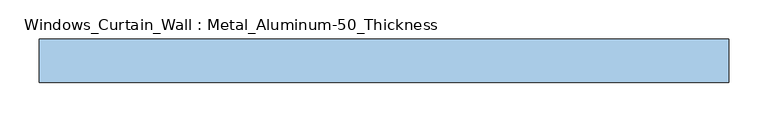
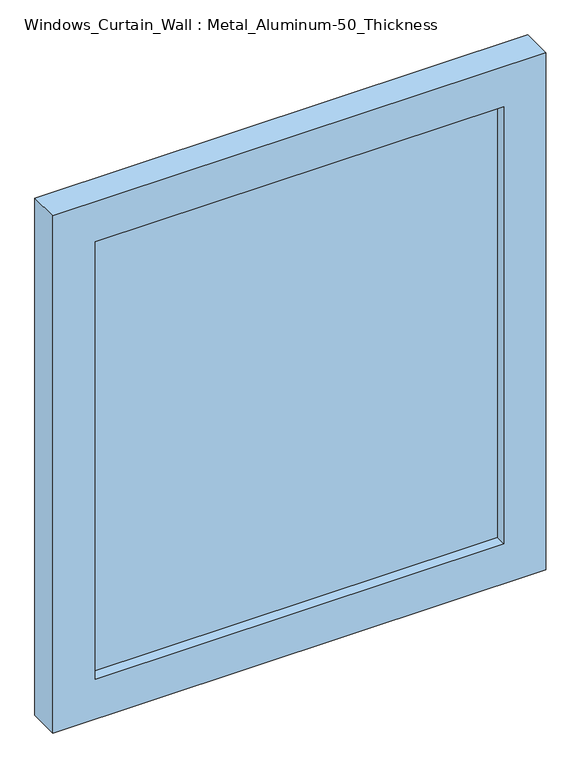
"""IFC4 building model written with IfcOpenShell, lengths in millimetres: window geometry, Windows_Curtain_Wall : Metal_Aluminum-50_Thickness."""

import ifcopenshell
import ifcopenshell.guid

model = None  # the IFC model being written
_history = None  # IfcOwnerHistory: only IFC2X3 demands one
_inside = {}  # id of a spatial element -> (the spatial element, [elements in it])
_under = {}  # id of a project, library or spatial element -> (it, [spatial elements below it])
_declared = {}  # id of a project -> (the project, [libraries it declares])
_typed = {}  # id of a type object -> (the type object, [elements of that type])
_made_of = {}  # id of a material, layer set ... -> (it, [elements and type objects made of it])


def new_model(schema):
    """Start an empty IFC model of exactly this schema.

    Asked for "IFC4X3", IfcOpenShell would pick the latest addendum, in which some entities
    have other attributes; the version numbers below select the first issue.
    IFC2X3 requires an IfcOwnerHistory on every rooted entity: one is made here for all.
    """
    global model, _history
    if schema == "IFC4X3":
        model = ifcopenshell.file(schema_version=(4, 3, 0, 0))
    else:
        model = ifcopenshell.file(schema=schema)
    _inside.clear()
    _under.clear()
    _declared.clear()
    _typed.clear()
    _made_of.clear()
    _history = None
    if model.schema == "IFC2X3":
        org = make("IfcOrganization", Name="unknown")
        user = make(
            "IfcPersonAndOrganization",
            ThePerson=make("IfcPerson", FamilyName="unknown"),
            TheOrganization=org,
        )
        app = make(
            "IfcApplication",
            ApplicationDeveloper=org,
            Version="unknown",
            ApplicationFullName="unknown",
            ApplicationIdentifier="unknown",
        )
        _history = make(
            "IfcOwnerHistory",
            OwningUser=user,
            OwningApplication=app,
            ChangeAction="ADDED",
            CreationDate=0,
        )
    return model


def make(cls, **values):
    """One entity of the class cls with the attributes given. An attribute that is None is left unset."""
    return model.create_entity(
        cls, **{name: value for name, value in values.items() if value is not None}
    )


def rooted(cls, **values):
    """An entity with a GlobalId (a new one), such as an element, a storey or a relation."""
    return make(cls, GlobalId=ifcopenshell.guid.new(), OwnerHistory=_history, **values)


def si_unit(unit_type, name, prefix=None):
    """IfcSIUnit, for example si_unit("LENGTHUNIT", "METRE", prefix="MILLI")."""
    return make("IfcSIUnit", UnitType=unit_type, Prefix=prefix, Name=name)


def assignment(units):
    """IfcUnitAssignment: the units of a project."""
    return None if units is None else make("IfcUnitAssignment", Units=units)


def point(xyz):
    """IfcCartesianPoint."""
    return None if xyz is None else make("IfcCartesianPoint", Coordinates=xyz)


def direction(xyz):
    """IfcDirection."""
    return None if xyz is None else make("IfcDirection", DirectionRatios=xyz)


def frame(location, z_axis=None, x_axis=None):
    """IfcAxis2Placement3D, a coordinate frame: its origin and axes. An axis left out is left unset."""
    return make(
        "IfcAxis2Placement3D",
        Location=point(location),
        Axis=direction(z_axis),
        RefDirection=direction(x_axis),
    )


def origin():
    """The frame at (0, 0, 0) with its axes left unset."""
    return frame((0.0, 0.0, 0.0))


def place(relative_to, where):
    """IfcLocalPlacement: puts the frame where relative to a parent placement (None: the world)."""
    return make(
        "IfcLocalPlacement", PlacementRelTo=relative_to, RelativePlacement=where
    )


def context(
    kind, dimensions, precision=None, world=None, true_north=None, identifier=None
):
    """IfcGeometricRepresentationContext, for example the 3D "Model" context."""
    return make(
        "IfcGeometricRepresentationContext",
        ContextIdentifier=identifier,
        ContextType=kind,
        CoordinateSpaceDimension=dimensions,
        Precision=precision,
        WorldCoordinateSystem=world,
        TrueNorth=true_north,
    )


def project(units=None, contexts=None):
    """IfcProject with its units and contexts."""
    return rooted(
        "IfcProject",
        Name="project",
        RepresentationContexts=contexts,
        UnitsInContext=assignment(units),
    )


def spatial(cls, under=None, at=None, **own):
    """A site, building, storey or space (cls), placed at a placement, below another one or the project."""
    s = rooted(cls, ObjectPlacement=at, **own)
    if under is not None:
        _under.setdefault(under.id(), (under, []))[1].append(s)
    return s


def polyline(points):
    """IfcPolyline through the points."""
    return make("IfcPolyline", Points=[point(p) for p in points])


def outline(outer, holes=None, kind="AREA"):
    """IfcArbitraryClosedProfileDef: a profile drawn as a closed curve; with holes, ...WithVoids."""
    if holes is None:
        return make("IfcArbitraryClosedProfileDef", ProfileType=kind, OuterCurve=outer)
    return make(
        "IfcArbitraryProfileDefWithVoids",
        ProfileType=kind,
        OuterCurve=outer,
        InnerCurves=holes,
    )


def extrude(swept, where, along, depth):
    """IfcExtrudedAreaSolid: the profile swept, set in the frame where, extruded along a direction by depth."""
    return make(
        "IfcExtrudedAreaSolid",
        SweptArea=swept,
        Position=where,
        ExtrudedDirection=direction(along),
        Depth=depth,
    )


def shape(context_of_items, identifier, shape_type, items):
    """IfcShapeRepresentation: the items that make up one representation, for example the "Body"."""
    return make(
        "IfcShapeRepresentation",
        ContextOfItems=context_of_items,
        RepresentationIdentifier=identifier,
        RepresentationType=shape_type,
        Items=items,
    )


def source(mapping_origin, context_of_items, identifier, shape_type, items):
    """IfcRepresentationMap: a shape defined once, which mapped items show again and again."""
    return make(
        "IfcRepresentationMap",
        MappingOrigin=mapping_origin,
        MappedRepresentation=shape(context_of_items, identifier, shape_type, items),
    )


def transform(
    local_origin,
    x_axis=None,
    y_axis=None,
    z_axis=None,
    scale=None,
    scale2=None,
    scale3=None,
    uniform=True,
):
    """IfcCartesianTransformationOperator3D, or its non-uniform kind. x_axis, y_axis, z_axis: its Axis1, 2, 3."""
    if uniform:
        return make(
            "IfcCartesianTransformationOperator3D",
            Axis1=direction(x_axis),
            Axis2=direction(y_axis),
            LocalOrigin=point(local_origin),
            Scale=scale,
            Axis3=direction(z_axis),
        )
    return make(
        "IfcCartesianTransformationOperator3DnonUniform",
        Axis1=direction(x_axis),
        Axis2=direction(y_axis),
        LocalOrigin=point(local_origin),
        Scale=scale,
        Axis3=direction(z_axis),
        Scale2=scale2,
        Scale3=scale3,
    )


def mapped(mapping_source, mapping_target):
    """IfcMappedItem: shows the shape of a source again, moved by a transform."""
    return make(
        "IfcMappedItem", MappingSource=mapping_source, MappingTarget=mapping_target
    )


def made_of(thing, what):
    """Note that an element or type object is made of a material, layer set ...; save() writes the relation."""
    if what is not None:
        _made_of.setdefault(what.id(), (what, []))[1].append(thing)
    return thing


def element(
    cls,
    number,
    at=None,
    inside=None,
    cuts=None,
    type_object=None,
    material=None,
    context=None,
    identifier="Body",
    shape_type=None,
    held_by="IfcProductDefinitionShape",
    body=None,
    shapes=None,
    **own,
):
    """One element of the class cls, such as IfcWall. Its Tag is "e" and its number.

    at: its placement. inside: the storey or other place that contains it. cuts: it is an
    opening in that element (IfcRelVoidsElement). A single representation is given by context,
    identifier, shape_type and body (its items); several are given by shapes. held_by: the class
    of the entity that holds the representations. save() writes the other relations.
    """
    e = rooted(cls, Tag="e%d" % number, ObjectPlacement=at, **own)
    if body is not None:
        shapes = [shape(context, identifier, shape_type, body)]
    if shapes is not None:
        e.Representation = make(held_by, Representations=shapes)
    if inside is not None:
        _inside.setdefault(inside.id(), (inside, []))[1].append(e)
    if cuts is not None:
        rooted(
            "IfcRelVoidsElement", RelatingBuildingElement=cuts, RelatedOpeningElement=e
        )
    if type_object is not None:
        _typed.setdefault(type_object.id(), (type_object, []))[1].append(e)
    return made_of(e, material)


def aggregate(whole, parts):
    """IfcRelAggregates: a whole, such as a stair, and the parts it consists of."""
    return rooted("IfcRelAggregates", RelatingObject=whole, RelatedObjects=parts)


def save(model, path):
    """Write the relations noted so far, then the file.

    IfcRelAggregates (storeys below a building ...), IfcRelContainedInSpatialStructure (elements
    in a storey), IfcRelDefinesByType, IfcRelAssociatesMaterial and IfcRelDeclares: one each for
    every whole, place, type object, material and project.
    """
    for whole, parts in _under.values():
        aggregate(whole, parts)
    for where, things in _inside.values():
        rooted(
            "IfcRelContainedInSpatialStructure",
            RelatedElements=things,
            RelatingStructure=where,
        )
    for kind, things in _typed.values():
        rooted("IfcRelDefinesByType", RelatedObjects=things, RelatingType=kind)
    for what, things in _made_of.values():
        rooted("IfcRelAssociatesMaterial", RelatedObjects=things, RelatingMaterial=what)
    for by, libraries in _declared.values():
        rooted("IfcRelDeclares", RelatingContext=by, RelatedDefinitions=libraries)
    model.write(path)


def windows_curtain_wall_metal_aluminum_50_thickness_7369b617(model_context):
    return source(origin(), model_context, "Body", "SweptSolid", [
        extrude(outline(polyline([(970.0, -437.4266332), (0.0, -437.4266332), (0.0, 437.4266332), (970.0, 437.4266332), (970.0, -437.4266332)]), holes=[polyline([(895.0, -362.4266332), (895.0, 362.4266332), (75.0, 362.4266332), (75.0, -362.4266332), (895.0, -362.4266332)])]), frame((0.0, -30.0, 0.0), z_axis=(0.0, 1.0, 0.0), x_axis=(0.0, 0.0, 1.0)), (0.0, 0.0, 1.0), 55.0),
        extrude(outline(polyline([(362.4266332, -10.95), (-362.4266332, -10.95), (-362.4266332, 1.75), (362.4266332, 1.75), (362.4266332, -10.95)])), frame((0.0, 0.0, 75.0), z_axis=(0.0, 0.0, 1.0), x_axis=(1.0, 0.0, 0.0)), (0.0, 0.0, 1.0), 820.0),
    ])


if __name__ == "__main__":
    model = new_model("IFC4")
    model_context = context("Model", 3, world=origin())
    ifc_project = project(units=[si_unit("LENGTHUNIT", "METRE", prefix="MILLI")], contexts=[model_context])
    site = spatial("IfcSite", under=ifc_project)
    building = spatial("IfcBuilding", under=site)
    placement = place(None, origin())
    windows_curtain_wall_metal_aluminum_50_thickness_shape = windows_curtain_wall_metal_aluminum_50_thickness_7369b617(model_context)
    element("IfcWindow", 1, ObjectType="Windows_Curtain_Wall : Metal_Aluminum-50_Thickness", at=placement, inside=building, context=model_context, shape_type="MappedRepresentation", body=[
        mapped(windows_curtain_wall_metal_aluminum_50_thickness_shape, transform((0.0, 0.0, 0.0), x_axis=(1.0, 0.0, 0.0), y_axis=(0.0, 1.0, 0.0), z_axis=(0.0, 0.0, 1.0))),
    ])
    save(model, "model.ifc")
